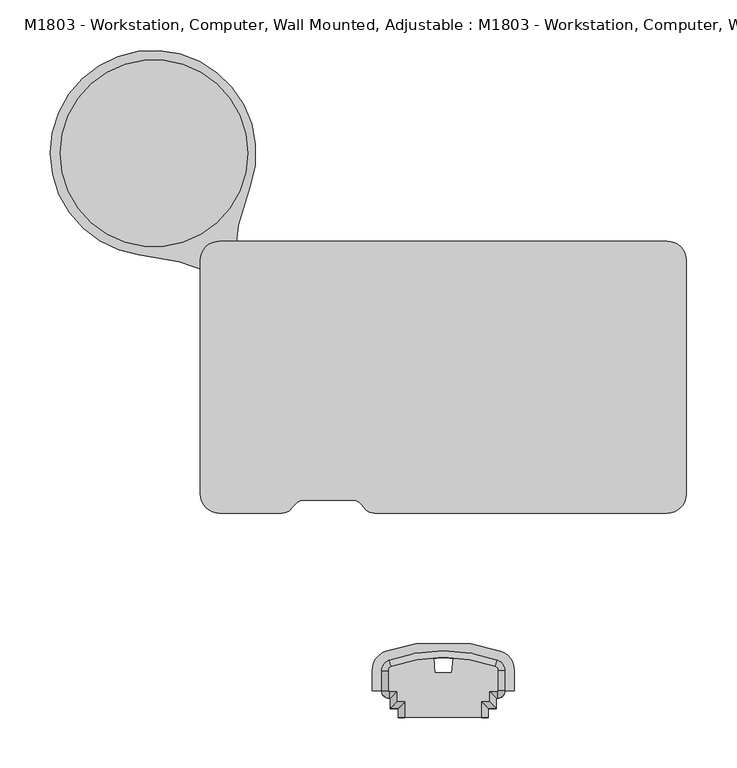
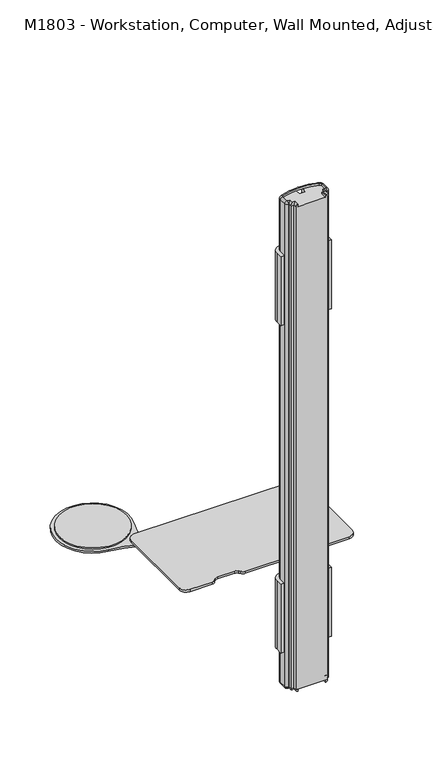
"""IFC4 building model written with IfcOpenShell, lengths in millimetres: proxy geometry, M1803 - Workstation, Computer, Wall Mounted, Adjustable : M1803 - Workstation, Computer, Wall Mounted, Adjustable."""

from ifc_helpers import new_model, si_unit, point, frame, frame_2d, origin, place, context, project, spatial, polyline, circle_curve, ellipse_curve, trimmed, segment, composite_curve, outline, extrude, source, transform, mapped, element, save
from ifc_brep_helpers import plane_surface, cylinder_surface, revolved_surface, advanced_brep


def m1803_workstation_computer_wall_mounted_adjustable_m1803_bad130c9(model_context):
    return source(origin(), model_context, "Body", "SolidModel", [
        extrude(outline(composite_curve([segment(trimmed(circle_curve(frame_2d((-287.2195012, 622.177888)), 93.0177326), [point((-194.2017685, 622.177888))], [point((-380.2372338, 622.177888))], False, "CARTESIAN"), True, "CONTINUOUS"), segment(trimmed(circle_curve(frame_2d((-287.2195012, 622.177888)), 93.0177326), [point((-380.2372338, 622.177888))], [point((-194.2017685, 622.177888))], False, "CARTESIAN"), True, "CONTINUOUS")], self_intersect=False)), frame((0.0, 0.0, 834.3760164), z_axis=(0.0, 0.0, 1.0), x_axis=(1.0, 0.0, 0.0)), (0.0, 0.0, 1.0), 3.9493619),
        extrude(outline(composite_curve([segment(trimmed(circle_curve(frame_2d((-222.1881024, 515.8448436)), 15.0000298), [point((-207.1880726, 515.8448436))], [point((-237.1881322, 515.8448436))], False, "CARTESIAN"), True, "CONTINUOUS"), segment(trimmed(circle_curve(frame_2d((-222.1881024, 515.8448436)), 15.0000298), [point((-237.1881322, 515.8448436))], [point((-207.1880726, 515.8448436))], False, "CARTESIAN"), True, "CONTINUOUS")], self_intersect=False)), frame((0.0, 0.0, 834.3760164), z_axis=(0.0, 0.0, 1.0), x_axis=(1.0, 0.0, 0.0)), (0.0, 0.0, 1.0), 3.9493619),
        extrude(outline(composite_curve([segment(trimmed(circle_curve(frame_2d((-288.135143, 622.3958979)), 101.9666983), [point((-302.2106684, 521.405368))], [point((-191.4698241, 589.9455715))], False, "CARTESIAN"), True, "CONTINUOUS"), segment(trimmed(circle_curve(frame_2d((24.8108426, 502.8642952)), 233.1533304), [point((-191.4698241, 589.9455715))], [point((-208.221532, 510.3734813))], True, "CARTESIAN"), True, "CONTINUOUS"), segment(trimmed(circle_curve(frame_2d((-222.1881024, 515.8448436)), 15.0000298), [point((-208.221532, 510.3734813))], [point((-223.5211648, 500.9041662))], False, "CARTESIAN"), True, "CONTINUOUS"), segment(trimmed(circle_curve(frame_2d((-320.7471241, 288.9900602)), 233.1533304), [point((-223.5211648, 500.9041662))], [point((-302.2106684, 521.405368))], True, "CARTESIAN"), True, "CONTINUOUS")], self_intersect=False)), frame((0.0, 0.0, 829.3759946), z_axis=(0.0, 0.0, 1.0), x_axis=(1.0, 0.0, 0.0)), (0.0, 0.0, 1.0), 5.0000218),
        extrude(outline(composite_curve([segment(polyline([(222.3109287, 265.020328), (-68.2008446, 265.020328)]), True, "CONTINUOUS"), segment(trimmed(circle_curve(frame_2d((-68.2008446, 277.4875133)), 12.4671853), [point((-68.2008446, 265.020328))], [point((-78.2870094, 270.1594857))], False, "CARTESIAN"), True, "CONTINUOUS"), segment(polyline([(-78.2870094, 270.1594857), (-81.4034178, 273.8906525)]), True, "CONTINUOUS"), segment(trimmed(circle_curve(frame_2d((-90.4257962, 265.1778429)), 12.542582), [point((-81.4034178, 273.8906525))], [point((-90.4257962, 277.7204249))], True, "CARTESIAN"), True, "CONTINUOUS"), segment(polyline([(-90.4257962, 277.7204249), (-138.0507962, 277.7204249)]), True, "CONTINUOUS"), segment(trimmed(circle_curve(frame_2d((-138.0507962, 265.1778429)), 12.542582), [point((-138.0507962, 277.7204249))], [point((-147.0731746, 273.8906525))], True, "CARTESIAN"), True, "CONTINUOUS"), segment(polyline([(-147.0731746, 273.8906525), (-150.189583, 270.1594857)]), True, "CONTINUOUS"), segment(trimmed(circle_curve(frame_2d((-160.2757478, 277.4875133)), 12.4671853), [point((-150.189583, 270.1594857))], [point((-160.2757478, 265.020328))], False, "CARTESIAN"), True, "CONTINUOUS"), segment(polyline([(-160.2757478, 265.020328), (-222.1881024, 265.020328)]), True, "CONTINUOUS"), segment(trimmed(circle_curve(frame_2d((-222.1881024, 284.070328)), 19.05), [point((-222.1881024, 265.020328))], [point((-241.2381024, 284.070328))], False, "CARTESIAN"), True, "CONTINUOUS"), segment(polyline([(-241.2381024, 284.070328), (-241.2381024, 515.8448436)]), True, "CONTINUOUS"), segment(trimmed(circle_curve(frame_2d((-222.1881024, 515.8448436)), 19.05), [point((-241.2381024, 515.8448436))], [point((-222.1881024, 534.8948436))], False, "CARTESIAN"), True, "CONTINUOUS"), segment(polyline([(-222.1881024, 534.8948436), (222.3109287, 534.8948436)]), True, "CONTINUOUS"), segment(trimmed(circle_curve(frame_2d((222.3109287, 515.8448436)), 19.05), [point((222.3109287, 534.8948436))], [point((241.3609287, 515.8448436))], False, "CARTESIAN"), True, "CONTINUOUS"), segment(polyline([(241.3609287, 515.8448436), (241.3609287, 284.070328)]), True, "CONTINUOUS"), segment(trimmed(circle_curve(frame_2d((222.3109287, 284.070328)), 19.05), [point((241.3609287, 284.070328))], [point((222.3109287, 265.020328))], False, "CARTESIAN"), True, "CONTINUOUS")], self_intersect=False)), frame((0.0, 0.0, 838.3253784), z_axis=(0.0, 0.0, 1.0), x_axis=(1.0, 0.0, 0.0)), (0.0, 0.0, 1.0), 6.4005877),
        advanced_brep(
        [(38.1, 61.9125, 603.25), (44.45, 61.9125, 609.6), (38.1, 61.9125, 609.6), (38.1, 77.2411812, 603.25), (44.45, 70.8911812, 609.6), (52.5364107, 70.8911812, 609.6), (52.5364107, 81.0234047, 609.6), (53.7370305, 81.0234047, 609.6), (61.1222253, 88.4085995, 609.6), (61.1222253, 108.2851132, 609.6), (53.6811785, 118.7735872, 609.6), (-53.696373, 118.6957894, 609.6), (-61.1222253, 108.2126465, 609.6), (-61.1222253, 88.4085995, 609.6), (-53.7370305, 81.0234047, 609.6), (-52.5364107, 81.0234047, 609.6), (-52.5364107, 70.8911812, 609.6), (-44.45, 70.8911812, 609.6), (-44.45, 61.9125, 609.6), (-38.1, 61.9125, 609.6), (-38.1, 77.2411812, 609.6), (-46.1864107, 77.2411812, 609.6), (-46.1864107, 87.3734047, 609.6), (-53.7370305, 87.3734047, 609.6), (-54.7722253, 88.4085995, 609.6), (-54.7722253, 108.2126465, 609.6), (-51.5897172, 112.705422, 609.6), (51.5832052, 112.7801735, 609.6), (54.7722253, 108.2851132, 609.6), (54.7722253, 88.4085995, 609.6), (53.7370305, 87.3734047, 609.6), (46.1864107, 87.3734047, 609.6), (46.1864107, 77.2411812, 609.6), (38.1, 77.2411812, 609.6), (46.1864107, 77.2411812, 603.25), (46.1864107, 87.3734047, 603.25), (53.7370305, 87.3734047, 603.25), (54.7722253, 88.4085995, 603.25), (54.7722253, 108.2851132, 603.25), (51.5832052, 112.7801735, 603.25), (-51.5897172, 112.705422, 603.25), (-54.7722253, 108.2126465, 603.25), (-54.7722253, 88.4085995, 603.25), (-53.7370305, 87.3734047, 603.25), (-46.1864107, 87.3734047, 603.25), (-46.1864107, 77.2411812, 603.25), (-38.1, 77.2411812, 603.25), (-38.1, 61.9125, 603.25)],
        [
            (0, 1, circle_curve(frame((38.1, 61.9125, 609.6), z_axis=(0.0, -1.0, 0.0), x_axis=(-1.0, 0.0, 0.0)), 6.35)),
            (1, 2),
            (2, 0),
            (0, 3),
            (3, 4, ellipse_curve(frame((38.1, 77.2411812, 609.6), z_axis=(-0.7071067811865475, -0.7071067811865475, 0.0), x_axis=(0.7071067811865474, -0.7071067811865476, 0.0)), 8.9802561, 6.35)),
            (4, 1),
            (4, 5),
            (5, 6),
            (6, 7),
            (7, 8, circle_curve(frame((53.7370305, 88.4085995, 609.6), z_axis=(0.0, 0.0, 1.0), x_axis=(0.0, -1.0, 0.0)), 7.3851948)),
            (8, 9),
            (9, 10, circle_curve(frame((50.0097253, 108.2851132, 609.6), z_axis=(0.0, 0.0, 1.0), x_axis=(1.0, 0.0, 0.0)), 11.1125)),
            (10, 11, circle_curve(frame((0.1032701, -34.2858315, 609.6), z_axis=(0.0, 0.0, 1.0), x_axis=(0.33038949403978657, 0.9438446811992606, 0.0)), 162.1658963)),
            (11, 12, circle_curve(frame((-50.0097253, 108.2126465, 609.6), z_axis=(0.0, 0.0, 1.0), x_axis=(-0.33175682647524884, 0.943364938974876, 0.0)), 11.1125)),
            (12, 13),
            (13, 14, circle_curve(frame((-53.7370305, 88.4085995, 609.6), z_axis=(0.0, 0.0, 1.0), x_axis=(-1.0, 0.0, 0.0)), 7.3851948)),
            (14, 15),
            (15, 16),
            (16, 17),
            (17, 18),
            (18, 19),
            (19, 20),
            (20, 21),
            (21, 22),
            (22, 23),
            (23, 24, circle_curve(frame((-53.7370305, 88.4085995, 609.6), z_axis=(0.0, 0.0, -1.0), x_axis=(-1.0, 0.0, 0.0)), 1.0351948)),
            (24, 25),
            (25, 26, circle_curve(frame((-50.0097253, 108.2126465, 609.6), z_axis=(0.0, 0.0, -1.0), x_axis=(-0.33175682647524884, 0.943364938974876, 0.0)), 4.7625)),
            (26, 27, circle_curve(frame((0.1032701, -34.2858315, 609.6), z_axis=(0.0, 0.0, -1.0), x_axis=(0.33038949403978657, 0.9438446811992606, 0.0)), 155.8158963)),
            (27, 28, circle_curve(frame((50.0097253, 108.2851132, 609.6), z_axis=(0.0, 0.0, -1.0), x_axis=(1.0, 0.0, 0.0)), 4.7625)),
            (28, 29),
            (29, 30, circle_curve(frame((53.7370305, 88.4085995, 609.6), z_axis=(0.0, 0.0, -1.0), x_axis=(0.0, -1.0, 0.0)), 1.0351948)),
            (30, 31),
            (31, 32),
            (32, 33),
            (33, 2),
            (33, 3),
            (3, 34),
            (34, 5, ellipse_curve(frame((46.1864107, 77.2411812, 609.6), z_axis=(-0.7071067811865475, -0.7071067811865475, 0.0), x_axis=(-0.7071067811865477, 0.7071067811865474, 0.0)), 8.9802561, 6.35)),
            (32, 34),
            (34, 35),
            (35, 6, ellipse_curve(frame((46.1864107, 87.3734047, 609.6), z_axis=(-0.7071067811865475, -0.7071067811865475, 0.0), x_axis=(0.7071067811865474, -0.7071067811865476, 0.0)), 8.9802561, 6.35)),
            (31, 35),
            (35, 36),
            (36, 7, circle_curve(frame((53.7370305, 87.3734047, 609.6), z_axis=(-1.0, 0.0, 0.0), x_axis=(0.0, 1.0, 0.0)), 6.35)),
            (30, 36),
            (36, 37, circle_curve(frame((53.7370305, 88.4085995, 603.25), z_axis=(0.0, 0.0, 1.0), x_axis=(0.0, -1.0, 0.0)), 1.0351948)),
            (37, 8, circle_curve(frame((54.7722253, 88.4085995, 609.6), z_axis=(0.0, -1.0, 0.0), x_axis=(-1.0, 0.0, 0.0)), 6.35)),
            (29, 37),
            (37, 38),
            (38, 9, circle_curve(frame((54.7722253, 108.2851132, 609.6), z_axis=(0.0, -1.0, 0.0), x_axis=(-1.0, 0.0, 0.0)), 6.35)),
            (28, 38),
            (38, 39, circle_curve(frame((50.0097253, 108.2851132, 603.25), z_axis=(0.0, 0.0, 1.0), x_axis=(1.0, 0.0, 0.0)), 4.7625)),
            (39, 10, circle_curve(frame((51.5832052, 112.7801735, 609.6), z_axis=(0.9438446811992502, -0.33038949403981605, 0.0), x_axis=(-0.33038949403981605, -0.9438446811992502, 0.0)), 6.35)),
            (27, 39),
            (39, 40, circle_curve(frame((0.1032701, -34.2858315, 603.25), z_axis=(0.0, 0.0, 1.0), x_axis=(0.33038949403978657, 0.9438446811992606, 0.0)), 155.8158963)),
            (40, 11, circle_curve(frame((-51.5897172, 112.705422, 609.6), z_axis=(0.943364938974875, 0.33175682647525195, 0.0), x_axis=(0.33175682647525195, -0.943364938974875, 0.0)), 6.35)),
            (26, 40),
            (40, 41, circle_curve(frame((-50.0097253, 108.2126465, 603.25), z_axis=(0.0, 0.0, 1.0), x_axis=(-0.33175682647524884, 0.943364938974876, 0.0)), 4.7625)),
            (41, 12, circle_curve(frame((-54.7722253, 108.2126465, 609.6), z_axis=(0.0, 1.0, 0.0), x_axis=(1.0, 0.0, 0.0)), 6.35)),
            (25, 41),
            (41, 42),
            (42, 13, circle_curve(frame((-54.7722253, 88.4085995, 609.6), z_axis=(0.0, 1.0, 0.0), x_axis=(1.0, 0.0, 0.0)), 6.35)),
            (24, 42),
            (42, 43, circle_curve(frame((-53.7370305, 88.4085995, 603.25), z_axis=(0.0, 0.0, 1.0), x_axis=(-1.0, 0.0, 0.0)), 1.0351948)),
            (43, 14, circle_curve(frame((-53.7370305, 87.3734047, 609.6), z_axis=(-1.0, 0.0, 0.0), x_axis=(0.0, 1.0, 0.0)), 6.35)),
            (23, 43),
            (43, 44),
            (44, 15, ellipse_curve(frame((-46.1864107, 87.3734047, 609.6), z_axis=(-0.7071067811865477, 0.7071067811865474, 0.0), x_axis=(-0.7071067811865474, -0.7071067811865476, 0.0)), 8.9802561, 6.35)),
            (22, 44),
            (44, 45),
            (45, 16, ellipse_curve(frame((-46.1864107, 77.2411812, 609.6), z_axis=(-0.7071067811865477, 0.7071067811865474, 0.0), x_axis=(0.7071067811865474, 0.7071067811865477, 0.0)), 8.9802561, 6.35)),
            (21, 45),
            (45, 46),
            (46, 17, ellipse_curve(frame((-38.1, 77.2411812, 609.6), z_axis=(-0.7071067811865477, 0.7071067811865474, 0.0), x_axis=(-0.7071067811865474, -0.7071067811865476, 0.0)), 8.9802561, 6.35)),
            (20, 46),
            (47, 19),
            (18, 47, circle_curve(frame((-38.1, 61.9125, 609.6), z_axis=(0.0, -1.0, 0.0), x_axis=(1.0, 0.0, 0.0)), 6.35)),
            (46, 47),
        ],
        [
            plane_surface(frame((44.45, 61.9125, 609.6), z_axis=(0.0, -1.0, 0.0), x_axis=(0.0, 0.0, 1.0))),
            cylinder_surface(frame((38.1, 61.9125, 609.6), z_axis=(0.0, -1.0, 0.0), x_axis=(-1.0, 0.0, 0.0)), 6.35),
            plane_surface(frame((44.45, 61.9125, 609.6), z_axis=(0.0, 0.0, 1.0), x_axis=(0.0, 1.0, 0.0))),
            plane_surface(frame((38.1, 61.9125, 609.6), z_axis=(-1.0, 0.0, 0.0), x_axis=(0.0, 1.0, 0.0))),
            cylinder_surface(frame((44.45, 77.2411812, 609.6), z_axis=(-1.0, 0.0, 0.0), x_axis=(0.0, 1.0, 0.0)), 6.35),
            plane_surface(frame((38.1, 77.2411812, 609.6), z_axis=(0.0, 1.0, 0.0), x_axis=(1.0, 0.0, 0.0))),
            cylinder_surface(frame((46.1864107, 70.8911812, 609.6), z_axis=(0.0, -1.0, 0.0), x_axis=(-1.0, 0.0, 0.0)), 6.35),
            plane_surface(frame((46.1864107, 77.2411812, 609.6), z_axis=(-1.0, 0.0, 0.0), x_axis=(0.0, 1.0, 0.0))),
            cylinder_surface(frame((52.5364107, 87.3734047, 609.6), z_axis=(-1.0, 0.0, 0.0), x_axis=(0.0, 1.0, 0.0)), 6.35),
            plane_surface(frame((46.1864107, 87.3734047, 609.6), z_axis=(0.0, 1.0, 0.0), x_axis=(1.0, 0.0, 0.0))),
            revolved_surface(trimmed(ellipse_curve(frame((53.7370305, 87.3734047, 609.6), z_axis=(-1.0, 0.0, 0.0), x_axis=(0.0, 1.0, 0.0)), 6.35, 6.35), [point((53.7370305, 87.3734047, 603.25))], [point((53.7370305, 81.0234047, 609.6))], True, "CARTESIAN"), (53.7370305, 88.4085995, 609.6), (0.0, 0.0, 1.0)),
            revolved_surface(polyline([(53.7370305, 87.3734047, 609.6), (53.7370305, 87.3734047, 603.25)]), (53.7370305, 88.4085995, 609.6), (0.0, 0.0, 1.0)),
            cylinder_surface(frame((54.7722253, 88.4085995, 609.6), z_axis=(0.0, -1.0, 0.0), x_axis=(-1.0, 0.0, 0.0)), 6.35),
            plane_surface(frame((54.7722253, 88.4085995, 609.6), z_axis=(-1.0, 0.0, 0.0), x_axis=(0.0, 1.0, 0.0))),
            revolved_surface(trimmed(ellipse_curve(frame((54.7722253, 108.2851132, 609.6), z_axis=(0.0, -1.0, 0.0), x_axis=(-1.0, 0.0, 0.0)), 6.35, 6.35), [point((54.7722253, 108.2851132, 603.25))], [point((61.1222253, 108.2851132, 609.6))], True, "CARTESIAN"), (50.0097253, 108.2851132, 609.6), (0.0, 0.0, 1.0)),
            revolved_surface(polyline([(54.7722253, 108.2851132, 609.6), (54.7722253, 108.2851132, 603.25)]), (50.0097253, 108.2851132, 609.6), (0.0, 0.0, 1.0)),
            revolved_surface(trimmed(ellipse_curve(frame((51.5832052, 112.7801735, 609.6), z_axis=(0.9438446811992606, -0.33038949403978646, 0.0), x_axis=(-0.33038949403978646, -0.9438446811992606, 0.0)), 6.35, 6.35), [point((51.5832052, 112.7801735, 603.25))], [point((53.6811785, 118.7735872, 609.6))], True, "CARTESIAN"), (0.1032701, -34.2858315, 609.6), (0.0, 0.0, 1.0)),
            revolved_surface(polyline([(51.58320524191285, 112.78017346905054, 609.6), (51.58320524191285, 112.78017346905054, 603.25)]), (0.1032701, -34.2858315, 609.6), (0.0, 0.0, 1.0)),
            revolved_surface(trimmed(ellipse_curve(frame((-51.5897172, 112.705422, 609.6), z_axis=(0.9433649389748759, 0.3317568264752491, 0.0), x_axis=(0.3317568264752491, -0.9433649389748759, 0.0)), 6.35, 6.35), [point((-51.5897172, 112.705422, 603.25))], [point((-53.696373, 118.6957894, 609.6))], True, "CARTESIAN"), (-50.0097253, 108.2126465, 609.6), (0.0, 0.0, 1.0)),
            revolved_surface(polyline([(-51.58971718608837, 112.70542202186785, 609.6), (-51.58971718608837, 112.70542202186785, 603.25)]), (-50.0097253, 108.2126465, 609.6), (0.0, 0.0, 1.0)),
            cylinder_surface(frame((-54.7722253, 108.2126465, 609.6), z_axis=(0.0, 1.0, 0.0), x_axis=(1.0, 0.0, 0.0)), 6.35),
            plane_surface(frame((-54.7722253, 108.2126465, 609.6), z_axis=(1.0, 0.0, 0.0), x_axis=(0.0, -1.0, 0.0))),
            revolved_surface(trimmed(ellipse_curve(frame((-54.7722253, 88.4085995, 609.6), z_axis=(0.0, 1.0, 0.0), x_axis=(1.0, 0.0, 0.0)), 6.35, 6.35), [point((-54.7722253, 88.4085995, 603.25))], [point((-61.1222253, 88.4085995, 609.6))], True, "CARTESIAN"), (-53.7370305, 88.4085995, 609.6), (0.0, 0.0, 1.0)),
            revolved_surface(polyline([(-54.7722253, 88.4085995, 609.6), (-54.7722253, 88.4085995, 603.25)]), (-53.7370305, 88.4085995, 609.6), (0.0, 0.0, 1.0)),
            cylinder_surface(frame((-53.7370305, 87.3734047, 609.6), z_axis=(-1.0, 0.0, 0.0), x_axis=(0.0, 1.0, 0.0)), 6.35),
            plane_surface(frame((-53.7370305, 87.3734047, 609.6), z_axis=(0.0, 1.0, 0.0), x_axis=(1.0, 0.0, 0.0))),
            cylinder_surface(frame((-46.1864107, 81.0234047, 609.6), z_axis=(0.0, 1.0, 0.0), x_axis=(1.0, 0.0, 0.0)), 6.35),
            plane_surface(frame((-46.1864107, 87.3734047, 609.6), z_axis=(1.0, 0.0, 0.0), x_axis=(0.0, -1.0, 0.0))),
            cylinder_surface(frame((-52.5364107, 77.2411812, 609.6), z_axis=(-1.0, 0.0, 0.0), x_axis=(0.0, 1.0, 0.0)), 6.35),
            plane_surface(frame((-46.1864107, 77.2411812, 609.6), z_axis=(0.0, 1.0, 0.0), x_axis=(1.0, 0.0, 0.0))),
            plane_surface(frame((-44.45, 61.9125, 609.6), z_axis=(0.0, -1.0, 0.0), x_axis=(0.0, 0.0, 1.0))),
            cylinder_surface(frame((-38.1, 70.8911812, 609.6), z_axis=(0.0, 1.0, 0.0), x_axis=(1.0, 0.0, 0.0)), 6.35),
            plane_surface(frame((-38.1, 77.2411812, 609.6), z_axis=(1.0, 0.0, 0.0), x_axis=(0.0, -1.0, 0.0))),
        ],
        [
            (0, [[1, 2, 3]]),
            (1, [[-1, 4, 5, 6]]),
            (2, [[-2, -6, 7, 8, 9, 10, 11, 12, 13, 14, 15, 16, 17, 18, 19, 20, 21, 22, 23, 24, 25, 26, 27, 28, 29, 30, 31, 32, 33, 34, 35, 36]]),
            (3, [[-3, -36, 37, -4]]),
            (4, [[-5, 38, 39, -7]]),
            (5, [[-37, -35, 40, -38]]),
            (6, [[-39, 41, 42, -8]]),
            (7, [[-40, -34, 43, -41]]),
            (8, [[-42, 44, 45, -9]]),
            (9, [[-43, -33, 46, -44]]),
            (10, [[-10, -45, 47, 48]]),
            (11, [[-47, -46, -32, 49]]),
            (12, [[-48, 50, 51, -11]]),
            (13, [[-49, -31, 52, -50]]),
            (14, [[-12, -51, 53, 54]]),
            (15, [[-53, -52, -30, 55]]),
            (16, [[-13, -54, 56, 57]]),
            (17, [[-56, -55, -29, 58]]),
            (18, [[-14, -57, 59, 60]]),
            (19, [[-59, -58, -28, 61]]),
            (20, [[-60, 62, 63, -15]]),
            (21, [[-61, -27, 64, -62]]),
            (22, [[-16, -63, 65, 66]]),
            (23, [[-65, -64, -26, 67]]),
            (24, [[-66, 68, 69, -17]]),
            (25, [[-67, -25, 70, -68]]),
            (26, [[-69, 71, 72, -18]]),
            (27, [[-70, -24, 73, -71]]),
            (28, [[-72, 74, 75, -19]]),
            (29, [[-73, -23, 76, -74]]),
            (30, [[77, -21, 78]]),
            (31, [[-75, 79, -78, -20]]),
            (32, [[-76, -22, -77, -79]]),
        ],
    ),
        extrude(outline(composite_curve([segment(polyline([(-70.6472253, 88.4085995), (-70.6472253, 108.2126465)]), True, "CONTINUOUS"), segment(trimmed(circle_curve(frame_2d((-50.0097253, 108.2126465)), 20.6375), [point((-70.6472253, 108.2126465))], [point((-56.8563568, 127.6813404))], False, "CARTESIAN"), True, "CONTINUOUS"), segment(trimmed(circle_curve(frame_2d((0.1032701, -34.2858315)), 171.6908963), [point((-56.8563568, 127.6813404))], [point((-27.2851562, 135.2064632))], False, "CARTESIAN"), True, "CONTINUOUS"), segment(polyline([(-27.2851562, 135.2064632), (27.4916965, 135.2064632)]), True, "CONTINUOUS"), segment(trimmed(circle_curve(frame_2d((0.1032701, -34.2858315)), 171.6908963), [point((27.4916965, 135.2064632))], [point((56.8281385, 127.7637078))], False, "CARTESIAN"), True, "CONTINUOUS"), segment(trimmed(circle_curve(frame_2d((50.0097253, 108.2851132)), 20.6375), [point((56.8281385, 127.7637078))], [point((70.6472253, 108.2851132))], False, "CARTESIAN"), True, "CONTINUOUS"), segment(polyline([(70.6472253, 108.2851132), (70.6472253, 88.4085995), (61.1222253, 88.4085995), (61.1222253, 108.2851132)]), True, "CONTINUOUS"), segment(trimmed(circle_curve(frame_2d((50.0097253, 108.2851132)), 11.1125), [point((61.1222253, 108.2851132))], [point((53.6811785, 118.7735872))], True, "CARTESIAN"), True, "CONTINUOUS"), segment(trimmed(circle_curve(frame_2d((0.1032701, -34.2858315)), 162.1658963), [point((53.6811785, 118.7735872))], [point((-53.696373, 118.6957894))], True, "CARTESIAN"), True, "CONTINUOUS"), segment(trimmed(circle_curve(frame_2d((-50.0097253, 108.2126465)), 11.1125), [point((-53.696373, 118.6957894))], [point((-61.1222253, 108.2126465))], True, "CARTESIAN"), True, "CONTINUOUS"), segment(polyline([(-61.1222253, 108.2126465), (-61.1222253, 88.4085995), (-70.6472253, 88.4085995)]), True, "CONTINUOUS")], self_intersect=False)), frame((0.0, 0.0, 1676.4), z_axis=(0.0, 0.0, 1.0), x_axis=(1.0, 0.0, 0.0)), (0.0, 0.0, 1.0), 203.2),
        advanced_brep(
        [(44.45, 61.9125, 609.6), (44.45, 61.9125, 2032.0), (38.1, 61.9125, 2038.35), (38.1, 61.9125, 2032.0), (-38.1, 61.9125, 2032.0), (-38.1, 61.9125, 2038.35), (-44.45, 61.9125, 2032.0), (-44.45, 61.9125, 609.6), (44.45, 70.8911812, 609.6), (44.45, 70.8911812, 2032.0), (8.4283191, 106.0797942, 2032.0), (-8.2217789, 106.0797942, 2032.0), (-9.5473305, 121.2309182, 2032.0), (-51.5897172, 112.705422, 2032.0), (-54.7722253, 108.2126465, 2032.0), (-54.7722253, 88.4085995, 2032.0), (-53.7370305, 87.3734047, 2032.0), (-46.1864107, 87.3734047, 2032.0), (-46.1864107, 77.2411812, 2032.0), (-38.1, 77.2411812, 2032.0), (38.1, 77.2411812, 2032.0), (46.1864107, 77.2411812, 2032.0), (46.1864107, 87.3734047, 2032.0), (53.7370305, 87.3734047, 2032.0), (54.7722253, 88.4085995, 2032.0), (54.7722253, 108.2851132, 2032.0), (51.5832052, 112.7801735, 2032.0), (9.7538707, 121.2309182, 2032.0), (-44.45, 70.8911812, 2032.0), (-44.45, 70.8911812, 609.6), (-52.5364107, 70.8911812, 609.6), (-52.5364107, 81.0234047, 609.6), (-53.7370305, 81.0234047, 609.6), (-61.1222253, 88.4085995, 609.6), (-61.1222253, 108.2126465, 609.6), (-53.696373, 118.6957894, 609.6), (-10.1009396, 127.5586989, 609.6), (-8.2217789, 106.0797942, 609.6), (8.4283191, 106.0797942, 609.6), (10.3074798, 127.5586989, 609.6), (53.6811785, 118.7735872, 609.6), (61.1222253, 108.2851132, 609.6), (61.1222253, 88.4085995, 609.6), (53.7370305, 81.0234047, 609.6), (52.5364107, 81.0234047, 609.6), (52.5364107, 70.8911812, 609.6), (52.5364107, 70.8911812, 2032.0), (52.5364107, 81.0234047, 2032.0), (53.7370305, 81.0234047, 2032.0), (61.1222253, 88.4085995, 2032.0), (61.1222253, 108.2851132, 2032.0), (53.6811785, 118.7735872, 2032.0), (10.3074798, 127.5586989, 2032.0), (-10.1009396, 127.5586989, 2032.0), (-53.696373, 118.6957894, 2032.0), (-61.1222253, 108.2126465, 2032.0), (-61.1222253, 88.4085995, 2032.0), (-53.7370305, 81.0234047, 2032.0), (-52.5364107, 81.0234047, 2032.0), (-52.5364107, 70.8911812, 2032.0), (38.1, 77.2411812, 2038.35), (46.1864107, 77.2411812, 2038.35), (46.1864107, 87.3734047, 2038.35), (53.7370305, 87.3734047, 2038.35), (54.7722253, 88.4085995, 2038.35), (54.7722253, 108.2851132, 2038.35), (51.5832052, 112.7801735, 2038.35), (-51.5897172, 112.705422, 2038.35), (-54.7722253, 108.2126465, 2038.35), (-54.7722253, 88.4085995, 2038.35), (-53.7370305, 87.3734047, 2038.35), (-46.1864107, 87.3734047, 2038.35), (-46.1864107, 77.2411812, 2038.35), (-38.1, 77.2411812, 2038.35)],
        [
            (0, 1),
            (1, 2, circle_curve(frame((38.1, 61.9125, 2032.0), z_axis=(0.0, -1.0, 0.0), x_axis=(-1.0, 0.0, 0.0)), 6.35)),
            (2, 3),
            (3, 4),
            (4, 5),
            (5, 6, circle_curve(frame((-38.1, 61.9125, 2032.0), z_axis=(0.0, -1.0, 0.0), x_axis=(1.0, 0.0, 0.0)), 6.35)),
            (6, 7),
            (7, 0),
            (0, 8),
            (8, 9),
            (9, 1),
            (10, 11),
            (11, 12),
            (12, 13, circle_curve(frame((0.1032701, -34.2858315, 2032.0), z_axis=(0.0, 0.0, 1.0), x_axis=(0.33038949403978657, 0.9438446811992606, 0.0)), 155.8158963)),
            (13, 14, circle_curve(frame((-50.0097253, 108.2126465, 2032.0), z_axis=(0.0, 0.0, 1.0), x_axis=(-0.33175682647524884, 0.943364938974876, 0.0)), 4.7625)),
            (14, 15),
            (15, 16, circle_curve(frame((-53.7370305, 88.4085995, 2032.0), z_axis=(0.0, 0.0, 1.0), x_axis=(-1.0, 0.0, 0.0)), 1.0351948)),
            (16, 17),
            (17, 18),
            (18, 19),
            (19, 4),
            (3, 20),
            (20, 21),
            (21, 22),
            (22, 23),
            (23, 24, circle_curve(frame((53.7370305, 88.4085995, 2032.0), z_axis=(0.0, 0.0, 1.0), x_axis=(0.0, -1.0, 0.0)), 1.0351948)),
            (24, 25),
            (25, 26, circle_curve(frame((50.0097253, 108.2851132, 2032.0), z_axis=(0.0, 0.0, 1.0), x_axis=(1.0, 0.0, 0.0)), 4.7625)),
            (26, 27, circle_curve(frame((0.1032701, -34.2858315, 2032.0), z_axis=(0.0, 0.0, 1.0), x_axis=(0.33038949403978657, 0.9438446811992606, 0.0)), 155.8158963)),
            (27, 10),
            (6, 28),
            (28, 29),
            (29, 7),
            (29, 30),
            (30, 31),
            (31, 32),
            (32, 33, circle_curve(frame((-53.7370305, 88.4085995, 609.6), z_axis=(0.0, 0.0, -1.0), x_axis=(1.0, 0.0, 0.0)), 7.3851948)),
            (33, 34),
            (34, 35, circle_curve(frame((-50.0097253, 108.2126465, 609.6), z_axis=(0.0, 0.0, -1.0), x_axis=(1.0, 0.0, 0.0)), 11.1125)),
            (35, 36, circle_curve(frame((0.1032701, -34.2858315, 609.6), z_axis=(0.0, 0.0, -1.0), x_axis=(1.0, 0.0, 0.0)), 162.1658963)),
            (36, 37),
            (37, 38),
            (38, 39),
            (39, 40, circle_curve(frame((0.1032701, -34.2858315, 609.6), z_axis=(0.0, 0.0, -1.0), x_axis=(1.0, 0.0, 0.0)), 162.1658963)),
            (40, 41, circle_curve(frame((50.0097253, 108.2851132, 609.6), z_axis=(0.0, 0.0, -1.0), x_axis=(1.0, 0.0, 0.0)), 11.1125)),
            (41, 42),
            (42, 43, circle_curve(frame((53.7370305, 88.4085995, 609.6), z_axis=(0.0, 0.0, -1.0), x_axis=(1.0, 0.0, 0.0)), 7.3851948)),
            (43, 44),
            (44, 45),
            (45, 8),
            (45, 46),
            (46, 9),
            (44, 47),
            (47, 46),
            (43, 48),
            (48, 47),
            (42, 49),
            (49, 48, circle_curve(frame((53.7370305, 88.4085995, 2032.0), z_axis=(0.0, 0.0, -1.0), x_axis=(1.0, 0.0, 0.0)), 7.3851948)),
            (41, 50),
            (50, 49),
            (40, 51),
            (51, 50, circle_curve(frame((50.0097253, 108.2851132, 2032.0), z_axis=(0.0, 0.0, -1.0), x_axis=(1.0, 0.0, 0.0)), 11.1125)),
            (39, 52),
            (52, 51, circle_curve(frame((0.1032701, -34.2858315, 2032.0), z_axis=(0.0, 0.0, -1.0), x_axis=(1.0, 0.0, 0.0)), 162.1658963)),
            (38, 10),
            (27, 52),
            (37, 11),
            (36, 53),
            (53, 12),
            (35, 54),
            (54, 53, circle_curve(frame((0.1032701, -34.2858315, 2032.0), z_axis=(0.0, 0.0, -1.0), x_axis=(1.0, 0.0, 0.0)), 162.1658963)),
            (34, 55),
            (55, 54, circle_curve(frame((-50.0097253, 108.2126465, 2032.0), z_axis=(0.0, 0.0, -1.0), x_axis=(1.0, 0.0, 0.0)), 11.1125)),
            (33, 56),
            (56, 55),
            (32, 57),
            (57, 56, circle_curve(frame((-53.7370305, 88.4085995, 2032.0), z_axis=(0.0, 0.0, -1.0), x_axis=(1.0, 0.0, 0.0)), 7.3851948)),
            (31, 58),
            (58, 57),
            (30, 59),
            (59, 58),
            (28, 59),
            (9, 60, ellipse_curve(frame((38.1, 77.2411812, 2032.0), z_axis=(-0.7071067811865475, -0.7071067811865475, 0.0), x_axis=(0.7071067811865474, -0.7071067811865476, 0.0)), 8.9802561, 6.35)),
            (60, 2),
            (60, 20),
            (53, 52, circle_curve(frame((0.1032701, -34.2858315, 2032.0), z_axis=(0.0, 0.0, -1.0), x_axis=(0.33038949403978657, 0.9438446811992606, 0.0)), 162.1658963)),
            (27, 12, circle_curve(frame((0.1032701, -34.2858315, 2032.0), z_axis=(0.0, 0.0, 1.0), x_axis=(0.33038949403978657, 0.9438446811992606, 0.0)), 155.8158963)),
            (46, 61, ellipse_curve(frame((46.1864107, 77.2411812, 2032.0), z_axis=(-0.7071067811865475, -0.7071067811865475, 0.0), x_axis=(-0.7071067811865477, 0.7071067811865474, 0.0)), 8.9802561, 6.35)),
            (61, 60),
            (61, 21),
            (47, 62, ellipse_curve(frame((46.1864107, 87.3734047, 2032.0), z_axis=(-0.7071067811865475, -0.7071067811865475, 0.0), x_axis=(0.7071067811865474, -0.7071067811865476, 0.0)), 8.9802561, 6.35)),
            (62, 61),
            (62, 22),
            (48, 63, circle_curve(frame((53.7370305, 87.3734047, 2032.0), z_axis=(-1.0, 0.0, 0.0), x_axis=(0.0, 1.0, 0.0)), 6.35)),
            (63, 62),
            (63, 23),
            (49, 64, circle_curve(frame((54.7722253, 88.4085995, 2032.0), z_axis=(0.0, -1.0, 0.0), x_axis=(-1.0, 0.0, 0.0)), 6.35)),
            (64, 63, circle_curve(frame((53.7370305, 88.4085995, 2038.35), z_axis=(0.0, 0.0, -1.0), x_axis=(0.0, -1.0, 0.0)), 1.0351948)),
            (64, 24),
            (50, 65, circle_curve(frame((54.7722253, 108.2851132, 2032.0), z_axis=(0.0, -1.0, 0.0), x_axis=(-1.0, 0.0, 0.0)), 6.35)),
            (65, 64),
            (65, 25),
            (51, 66, circle_curve(frame((51.5832052, 112.7801735, 2032.0), z_axis=(0.9438446811992232, -0.3303894940398936, 0.0), x_axis=(-0.3303894940398936, -0.9438446811992232, 0.0)), 6.35)),
            (66, 65, circle_curve(frame((50.0097253, 108.2851132, 2038.35), z_axis=(0.0, 0.0, -1.0), x_axis=(1.0, 0.0, 0.0)), 4.7625)),
            (66, 26),
            (54, 67, circle_curve(frame((-51.5897172, 112.705422, 2032.0), z_axis=(0.9433649389748741, 0.3317568264752546, 0.0), x_axis=(0.3317568264752546, -0.9433649389748741, 0.0)), 6.35)),
            (67, 66, circle_curve(frame((0.1032701, -34.2858315, 2038.35), z_axis=(0.0, 0.0, -1.0), x_axis=(0.33038949403978657, 0.9438446811992606, 0.0)), 155.8158963)),
            (67, 13),
            (55, 68, circle_curve(frame((-54.7722253, 108.2126465, 2032.0), z_axis=(0.0, 1.0, 0.0), x_axis=(1.0, 0.0, 0.0)), 6.35)),
            (68, 67, circle_curve(frame((-50.0097253, 108.2126465, 2038.35), z_axis=(0.0, 0.0, -1.0), x_axis=(-0.33175682647524884, 0.943364938974876, 0.0)), 4.7625)),
            (68, 14),
            (56, 69, circle_curve(frame((-54.7722253, 88.4085995, 2032.0), z_axis=(0.0, 1.0, 0.0), x_axis=(1.0, 0.0, 0.0)), 6.35)),
            (69, 68),
            (69, 15),
            (57, 70, circle_curve(frame((-53.7370305, 87.3734047, 2032.0), z_axis=(-1.0, 0.0, 0.0), x_axis=(0.0, 1.0, 0.0)), 6.35)),
            (70, 69, circle_curve(frame((-53.7370305, 88.4085995, 2038.35), z_axis=(0.0, 0.0, -1.0), x_axis=(-1.0, 0.0, 0.0)), 1.0351948)),
            (70, 16),
            (58, 71, ellipse_curve(frame((-46.1864107, 87.3734047, 2032.0), z_axis=(-0.7071067811865476, 0.7071067811865474, 0.0), x_axis=(-0.7071067811865476, -0.7071067811865475, 0.0)), 8.9802561, 6.35)),
            (71, 70),
            (71, 17),
            (59, 72, ellipse_curve(frame((-46.1864107, 77.2411812, 2032.0), z_axis=(-0.7071067811865476, 0.7071067811865474, 0.0), x_axis=(0.7071067811865474, 0.7071067811865477, 0.0)), 8.9802561, 6.35)),
            (72, 71),
            (72, 18),
            (28, 73, ellipse_curve(frame((-38.1, 77.2411812, 2032.0), z_axis=(-0.7071067811865476, 0.7071067811865474, 0.0), x_axis=(-0.7071067811865476, -0.7071067811865475, 0.0)), 8.9802561, 6.35)),
            (73, 72),
            (73, 19),
            (5, 73),
        ],
        [
            plane_surface(frame((44.45, 61.9125, 2032.0), z_axis=(0.0, -1.0, 0.0), x_axis=(0.0, 0.0, 1.0))),
            plane_surface(frame((44.45, 61.9125, 609.6), z_axis=(1.0, 0.0, 0.0), x_axis=(0.0, 1.0, 0.0))),
            plane_surface(frame((44.45, 61.9125, 2032.0), z_axis=(0.0, 0.0, 1.0), x_axis=(0.0, 1.0, 0.0))),
            plane_surface(frame((-44.45, 61.9125, 2032.0), z_axis=(-1.0, 0.0, 0.0), x_axis=(0.0, 1.0, 0.0))),
            plane_surface(frame((-44.45, 61.9125, 609.6), z_axis=(0.0, 0.0, -1.0), x_axis=(0.0, 1.0, 0.0))),
            plane_surface(frame((44.45, 70.8911812, 2032.0), z_axis=(0.0, -1.0, 0.0), x_axis=(0.0, 0.0, -1.0))),
            plane_surface(frame((52.5364107, 70.8911812, 2032.0), z_axis=(1.0, 0.0, 0.0), x_axis=(0.0, 0.0, -1.0))),
            plane_surface(frame((52.5364107, 81.0234047, 2032.0), z_axis=(0.0, -1.0, 0.0), x_axis=(0.0, 0.0, -1.0))),
            cylinder_surface(frame((53.7370305, 88.4085995, 609.6), z_axis=(0.0, 0.0, 1.0), x_axis=(1.0, 0.0, 0.0)), 7.3851948),
            plane_surface(frame((61.1222253, 88.4085995, 2032.0), z_axis=(1.0, 0.0, 0.0), x_axis=(0.0, 0.0, -1.0))),
            cylinder_surface(frame((50.0097253, 108.2851132, 609.6), z_axis=(0.0, 0.0, 1.0), x_axis=(1.0, 0.0, 0.0)), 11.1125),
            cylinder_surface(frame((0.1032701, -34.2858315, 609.6), z_axis=(0.0, 0.0, 1.0), x_axis=(1.0, 0.0, 0.0)), 162.1658963),
            plane_surface(frame((10.3074798, 127.5586989, 2032.0), z_axis=(-0.9961946980917328, 0.08715574274780487, 0.0), x_axis=(0.0, 0.0, -1.0))),
            plane_surface(frame((8.4283191, 106.0797942, 2032.0), z_axis=(0.0, 1.0, 0.0), x_axis=(0.0, 0.0, -1.0))),
            plane_surface(frame((-8.2217789, 106.0797942, 2032.0), z_axis=(0.9961946980917461, 0.08715574274765239, 0.0), x_axis=(0.0, 0.0, -1.0))),
            cylinder_surface(frame((-50.0097253, 108.2126465, 609.6), z_axis=(0.0, 0.0, 1.0), x_axis=(1.0, 0.0, 0.0)), 11.1125),
            plane_surface(frame((-61.1222253, 108.2126465, 2032.0), z_axis=(-1.0, 0.0, 0.0), x_axis=(0.0, 0.0, -1.0))),
            cylinder_surface(frame((-53.7370305, 88.4085995, 609.6), z_axis=(0.0, 0.0, 1.0), x_axis=(1.0, 0.0, 0.0)), 7.3851948),
            plane_surface(frame((-53.7370305, 81.0234047, 2032.0), z_axis=(0.0, -1.0, 0.0), x_axis=(0.0, 0.0, -1.0))),
            plane_surface(frame((-52.5364107, 81.0234047, 2032.0), z_axis=(-1.0, 0.0, 0.0), x_axis=(0.0, 0.0, -1.0))),
            plane_surface(frame((-52.5364107, 70.8911812, 2032.0), z_axis=(0.0, -1.0, 0.0), x_axis=(0.0, 0.0, -1.0))),
            cylinder_surface(frame((38.1, 61.9125, 2032.0), z_axis=(0.0, -1.0, 0.0), x_axis=(-1.0, 0.0, 0.0)), 6.35),
            plane_surface(frame((38.1, 61.9125, 2038.35), z_axis=(-1.0, 0.0, 0.0), x_axis=(0.0, 1.0, 0.0))),
            plane_surface(frame((38.1, 61.9125, 2032.0), z_axis=(0.0, 0.0, -1.0), x_axis=(0.0, 1.0, 0.0))),
            cylinder_surface(frame((44.45, 77.2411812, 2032.0), z_axis=(-1.0, 0.0, 0.0), x_axis=(0.0, 1.0, 0.0)), 6.35),
            plane_surface(frame((38.1, 77.2411812, 2038.35), z_axis=(0.0, 1.0, 0.0), x_axis=(1.0, 0.0, 0.0))),
            cylinder_surface(frame((46.1864107, 70.8911812, 2032.0), z_axis=(0.0, -1.0, 0.0), x_axis=(-1.0, 0.0, 0.0)), 6.35),
            plane_surface(frame((46.1864107, 77.2411812, 2038.35), z_axis=(-1.0, 0.0, 0.0), x_axis=(0.0, 1.0, 0.0))),
            cylinder_surface(frame((52.5364107, 87.3734047, 2032.0), z_axis=(-1.0, 0.0, 0.0), x_axis=(0.0, 1.0, 0.0)), 6.35),
            plane_surface(frame((46.1864107, 87.3734047, 2038.35), z_axis=(0.0, 1.0, 0.0), x_axis=(1.0, 0.0, 0.0))),
            revolved_surface(trimmed(ellipse_curve(frame((53.7370305, 87.3734047, 2032.0), z_axis=(-1.0, 0.0, 0.0), x_axis=(0.0, 1.0, 0.0)), 6.35, 6.35), [point((53.7370305, 81.0234047, 2032.0))], [point((53.7370305, 87.3734047, 2038.35))], True, "CARTESIAN"), (53.7370305, 88.4085995, 2032.0), (0.0, 0.0, 1.0)),
            revolved_surface(polyline([(53.7370305, 87.3734047, 2038.35), (53.7370305, 87.3734047, 2032.0)]), (53.7370305, 88.4085995, 2032.0), (0.0, 0.0, 1.0)),
            cylinder_surface(frame((54.7722253, 88.4085995, 2032.0), z_axis=(0.0, -1.0, 0.0), x_axis=(-1.0, 0.0, 0.0)), 6.35),
            plane_surface(frame((54.7722253, 88.4085995, 2038.35), z_axis=(-1.0, 0.0, 0.0), x_axis=(0.0, 1.0, 0.0))),
            revolved_surface(trimmed(ellipse_curve(frame((54.7722253, 108.2851132, 2032.0), z_axis=(0.0, -1.0, 0.0), x_axis=(-1.0, 0.0, 0.0)), 6.35, 6.35), [point((61.1222253, 108.2851132, 2032.0))], [point((54.7722253, 108.2851132, 2038.35))], True, "CARTESIAN"), (50.0097253, 108.2851132, 2032.0), (0.0, 0.0, 1.0)),
            revolved_surface(polyline([(54.7722253, 108.2851132, 2038.35), (54.7722253, 108.2851132, 2032.0)]), (50.0097253, 108.2851132, 2032.0), (0.0, 0.0, 1.0)),
            revolved_surface(trimmed(ellipse_curve(frame((51.5832052, 112.7801735, 2032.0), z_axis=(0.9438446811992606, -0.33038949403978646, 0.0), x_axis=(-0.33038949403978646, -0.9438446811992606, 0.0)), 6.35, 6.35), [point((53.6811785, 118.7735872, 2032.0))], [point((51.5832052, 112.7801735, 2038.35))], True, "CARTESIAN"), (0.1032701, -34.2858315, 2032.0), (0.0, 0.0, 1.0)),
            revolved_surface(polyline([(51.58320524191285, 112.78017346905054, 2038.35), (51.58320524191285, 112.78017346905054, 2032.0)]), (0.1032701, -34.2858315, 2032.0), (0.0, 0.0, 1.0)),
            revolved_surface(trimmed(ellipse_curve(frame((-51.5897172, 112.705422, 2032.0), z_axis=(0.9433649389748759, 0.3317568264752491, 0.0), x_axis=(0.3317568264752491, -0.9433649389748759, 0.0)), 6.35, 6.35), [point((-53.696373, 118.6957894, 2032.0))], [point((-51.5897172, 112.705422, 2038.35))], True, "CARTESIAN"), (-50.0097253, 108.2126465, 2032.0), (0.0, 0.0, 1.0)),
            revolved_surface(polyline([(-51.58971718608837, 112.70542202186785, 2038.35), (-51.58971718608837, 112.70542202186785, 2032.0)]), (-50.0097253, 108.2126465, 2032.0), (0.0, 0.0, 1.0)),
            cylinder_surface(frame((-54.7722253, 108.2126465, 2032.0), z_axis=(0.0, 1.0, 0.0), x_axis=(1.0, 0.0, 0.0)), 6.35),
            plane_surface(frame((-54.7722253, 108.2126465, 2038.35), z_axis=(1.0, 0.0, 0.0), x_axis=(0.0, -1.0, 0.0))),
            revolved_surface(trimmed(ellipse_curve(frame((-54.7722253, 88.4085995, 2032.0), z_axis=(0.0, 1.0, 0.0), x_axis=(1.0, 0.0, 0.0)), 6.35, 6.35), [point((-61.1222253, 88.4085995, 2032.0))], [point((-54.7722253, 88.4085995, 2038.35))], True, "CARTESIAN"), (-53.7370305, 88.4085995, 2032.0), (0.0, 0.0, 1.0)),
            revolved_surface(polyline([(-54.7722253, 88.4085995, 2038.35), (-54.7722253, 88.4085995, 2032.0)]), (-53.7370305, 88.4085995, 2032.0), (0.0, 0.0, 1.0)),
            cylinder_surface(frame((-53.7370305, 87.3734047, 2032.0), z_axis=(-1.0, 0.0, 0.0), x_axis=(0.0, 1.0, 0.0)), 6.35),
            plane_surface(frame((-53.7370305, 87.3734047, 2038.35), z_axis=(0.0, 1.0, 0.0), x_axis=(1.0, 0.0, 0.0))),
            cylinder_surface(frame((-46.1864107, 81.0234047, 2032.0), z_axis=(0.0, 1.0, 0.0), x_axis=(1.0, 0.0, 0.0)), 6.35),
            plane_surface(frame((-46.1864107, 87.3734047, 2038.35), z_axis=(1.0, 0.0, 0.0), x_axis=(0.0, -1.0, 0.0))),
            cylinder_surface(frame((-52.5364107, 77.2411812, 2032.0), z_axis=(-1.0, 0.0, 0.0), x_axis=(0.0, 1.0, 0.0)), 6.35),
            plane_surface(frame((-46.1864107, 77.2411812, 2038.35), z_axis=(0.0, 1.0, 0.0), x_axis=(1.0, 0.0, 0.0))),
            cylinder_surface(frame((-38.1, 70.8911812, 2032.0), z_axis=(0.0, 1.0, 0.0), x_axis=(1.0, 0.0, 0.0)), 6.35),
            plane_surface(frame((-38.1, 77.2411812, 2038.35), z_axis=(1.0, 0.0, 0.0), x_axis=(0.0, -1.0, 0.0))),
        ],
        [
            (0, [[1, 2, 3, 4, 5, 6, 7, 8]]),
            (1, [[-1, 9, 10, 11]]),
            (2, [[12, 13, 14, 15, 16, 17, 18, 19, 20, 21, -4, 22, 23, 24, 25, 26, 27, 28, 29, 30]]),
            (3, [[-7, 31, 32, 33]]),
            (4, [[-8, -33, 34, 35, 36, 37, 38, 39, 40, 41, 42, 43, 44, 45, 46, 47, 48, 49, 50, -9]]),
            (5, [[-50, 51, 52, -10]]),
            (6, [[-49, 53, 54, -51]]),
            (7, [[-48, 55, 56, -53]]),
            (8, [[-47, 57, 58, -55]]),
            (9, [[-46, 59, 60, -57]]),
            (10, [[-45, 61, 62, -59]]),
            (11, [[-44, 63, 64, -61]]),
            (12, [[-43, 65, -30, 66, -63]]),
            (13, [[-12, -65, -42, 67]]),
            (14, [[-41, 68, 69, -13, -67]]),
            (11, [[-40, 70, 71, -68]]),
            (15, [[-39, 72, 73, -70]]),
            (16, [[-38, 74, 75, -72]]),
            (17, [[-37, 76, 77, -74]]),
            (18, [[-36, 78, 79, -76]]),
            (19, [[-35, 80, 81, -78]]),
            (20, [[-34, -32, 82, -80]]),
            (21, [[-2, -11, 83, 84]]),
            (22, [[-3, -84, 85, -22]]),
            (23, [[86, -66, 87, -69]]),
            (24, [[-83, -52, 88, 89]]),
            (25, [[-85, -89, 90, -23]]),
            (26, [[-88, -54, 91, 92]]),
            (27, [[-90, -92, 93, -24]]),
            (28, [[-91, -56, 94, 95]]),
            (29, [[-93, -95, 96, -25]]),
            (30, [[-94, -58, 97, 98]]),
            (31, [[-96, -98, 99, -26]]),
            (32, [[-97, -60, 100, 101]]),
            (33, [[-99, -101, 102, -27]]),
            (34, [[-100, -62, 103, 104]]),
            (35, [[-102, -104, 105, -28]]),
            (36, [[-103, -64, -86, -71, 106, 107]]),
            (37, [[-105, -107, 108, -14, -87, -29]]),
            (38, [[-106, -73, 109, 110]]),
            (39, [[-108, -110, 111, -15]]),
            (40, [[-109, -75, 112, 113]]),
            (41, [[-111, -113, 114, -16]]),
            (42, [[-112, -77, 115, 116]]),
            (43, [[-114, -116, 117, -17]]),
            (44, [[-115, -79, 118, 119]]),
            (45, [[-117, -119, 120, -18]]),
            (46, [[-118, -81, 121, 122]]),
            (47, [[-120, -122, 123, -19]]),
            (48, [[-121, -82, 124, 125]]),
            (49, [[-123, -125, 126, -20]]),
            (50, [[-124, -31, -6, 127]]),
            (51, [[-126, -127, -5, -21]]),
        ],
    ),
        extrude(outline(composite_curve([segment(polyline([(-70.6472253, 88.4085995), (-70.6472253, 108.2126465)]), True, "CONTINUOUS"), segment(trimmed(circle_curve(frame_2d((-50.0097253, 108.2126465)), 20.6375), [point((-70.6472253, 108.2126465))], [point((-56.8563568, 127.6813404))], False, "CARTESIAN"), True, "CONTINUOUS"), segment(trimmed(circle_curve(frame_2d((0.1032701, -34.2858315)), 171.6908963), [point((-56.8563568, 127.6813404))], [point((-27.2851563, 135.2064632))], False, "CARTESIAN"), True, "CONTINUOUS"), segment(polyline([(-27.2851563, 135.2064632), (27.4916965, 135.2064632)]), True, "CONTINUOUS"), segment(trimmed(circle_curve(frame_2d((0.1032701, -34.2858315)), 171.6908963), [point((27.4916965, 135.2064632))], [point((56.8281385, 127.7637078))], False, "CARTESIAN"), True, "CONTINUOUS"), segment(trimmed(circle_curve(frame_2d((50.0097253, 108.2851132)), 20.6375), [point((56.8281385, 127.7637078))], [point((70.6472253, 108.2851132))], False, "CARTESIAN"), True, "CONTINUOUS"), segment(polyline([(70.6472253, 108.2851132), (70.6472253, 88.4085995), (61.1222253, 88.4085995), (61.1222253, 108.2851132)]), True, "CONTINUOUS"), segment(trimmed(circle_curve(frame_2d((50.0097253, 108.2851132)), 11.1125), [point((61.1222253, 108.2851132))], [point((53.6811785, 118.7735872))], True, "CARTESIAN"), True, "CONTINUOUS"), segment(trimmed(circle_curve(frame_2d((0.1032701, -34.2858315)), 162.1658963), [point((53.6811785, 118.7735872))], [point((-53.696373, 118.6957894))], True, "CARTESIAN"), True, "CONTINUOUS"), segment(trimmed(circle_curve(frame_2d((-50.0097253, 108.2126465)), 11.1125), [point((-53.696373, 118.6957894))], [point((-61.1222253, 108.2126465))], True, "CARTESIAN"), True, "CONTINUOUS"), segment(polyline([(-61.1222253, 108.2126465), (-61.1222253, 88.4085995), (-70.6472253, 88.4085995)]), True, "CONTINUOUS")], self_intersect=False)), frame((0.0, 0.0, 711.2), z_axis=(0.0, 0.0, 1.0), x_axis=(1.0, 0.0, 0.0)), (0.0, 0.0, 1.0), 203.2),
    ])


if __name__ == "__main__":
    model = new_model("IFC4")
    model_context = context("Model", 3, world=origin())
    ifc_project = project(units=[si_unit("LENGTHUNIT", "METRE", prefix="MILLI")], contexts=[model_context])
    site = spatial("IfcSite", under=ifc_project)
    building = spatial("IfcBuilding", under=site)
    placement = place(None, origin())
    m1803_workstation_computer_wall_mounted_adjustable_m1803_shape = m1803_workstation_computer_wall_mounted_adjustable_m1803_bad130c9(model_context)
    element("IfcBuildingElementProxy", 1, Name="M1803 - Workstation, Computer, Wall Mounted, Adjustable : M1803 - Workstation, Computer, Wall Mounted, Adjustable", ObjectType="M1803 - Workstation, Computer, Wall Mounted, Adjustable : M1803 - Workstation, Computer, Wall Mounted, Adjustable", at=placement, inside=building, context=model_context, shape_type="MappedRepresentation", body=[
        mapped(m1803_workstation_computer_wall_mounted_adjustable_m1803_shape, transform((0.0, 0.0, 0.0), x_axis=(1.0, 0.0, 0.0), y_axis=(0.0, 1.0, 0.0), z_axis=(0.0, 0.0, 1.0))),
    ])
    save(model, "model.ifc")
